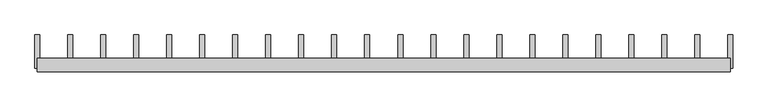
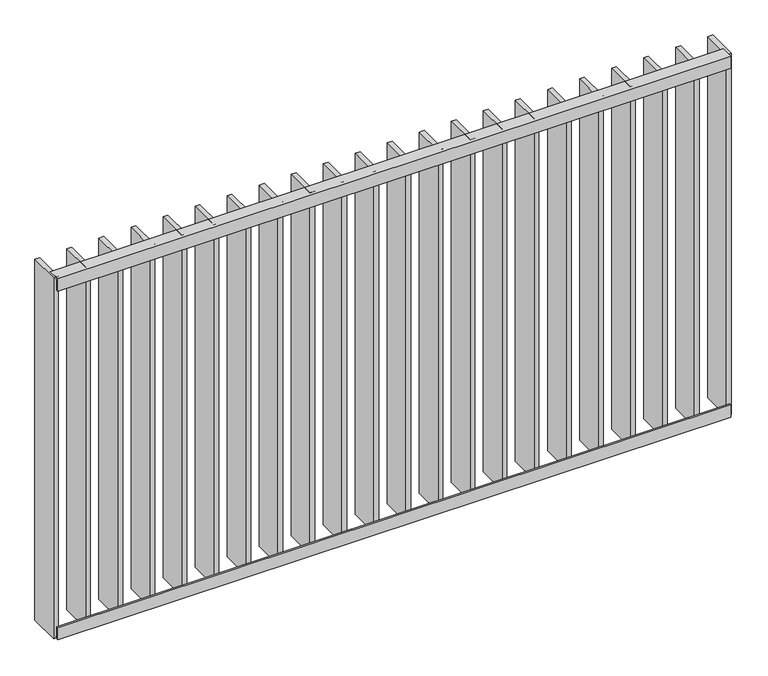
"""IFC4 building model written with IfcOpenShell, lengths in millimetres: railing geometry."""

from ifc_helpers import new_model, si_unit, frame, origin, place, context, project, spatial, polyline, outline, extrude, source, transform, mapped, element, save


def railing_ff672d15(model_context):
    return source(origin(), model_context, "Body", "SweptSolid", [
        extrude(outline(polyline([(24956.9194272, 7994.0), (24956.9194272, 7960.0), (24950.9194272, 7960.0), (24950.9194272, 8000.0), (24990.9194272, 8000.0), (24990.9194272, 7994.0), (24956.9194272, 7994.0)])), frame((4609.5112278, 0.0, 0.0), z_axis=(1.0, 0.0, 0.0), x_axis=(0.0, 1.0, 0.0)), (0.0, 0.0, 1.0), 2080.0),
        extrude(outline(polyline([(24956.9194272, 6826.0), (24990.9194272, 6826.0), (24990.9194272, 6820.0), (24950.9194272, 6820.0), (24950.9194272, 6860.0), (24956.9194272, 6860.0), (24956.9194272, 6826.0)])), frame((4609.5112278, 0.0, 0.0), z_axis=(1.0, 0.0, 0.0), x_axis=(0.0, 1.0, 0.0)), (0.0, 0.0, 1.0), 2080.0),
        extrude(outline(polyline([(6582.9636088, 24960.9194272), (6582.9636088, 25060.9194272), (6597.9636088, 25060.9194272), (6597.9636088, 24960.9194272), (6582.9636088, 24960.9194272)])), frame((0.0, 0.0, 6819.9), z_axis=(0.0, 0.0, 1.0), x_axis=(1.0, 0.0, 0.0)), (0.0, 0.0, 1.0), 1180.2),
        extrude(outline(polyline([(6483.9159897, 24960.9194272), (6483.9159897, 25060.9194272), (6498.9159897, 25060.9194272), (6498.9159897, 24960.9194272), (6483.9159897, 24960.9194272)])), frame((0.0, 0.0, 6819.9), z_axis=(0.0, 0.0, 1.0), x_axis=(1.0, 0.0, 0.0)), (0.0, 0.0, 1.0), 1180.2),
        extrude(outline(polyline([(6384.8683707, 24960.9194272), (6384.8683707, 25060.9194272), (6399.8683707, 25060.9194272), (6399.8683707, 24960.9194272), (6384.8683707, 24960.9194272)])), frame((0.0, 0.0, 6819.9), z_axis=(0.0, 0.0, 1.0), x_axis=(1.0, 0.0, 0.0)), (0.0, 0.0, 1.0), 1180.2),
        extrude(outline(polyline([(6285.8207516, 24960.9194272), (6285.8207516, 25060.9194272), (6300.8207516, 25060.9194272), (6300.8207516, 24960.9194272), (6285.8207516, 24960.9194272)])), frame((0.0, 0.0, 6819.9), z_axis=(0.0, 0.0, 1.0), x_axis=(1.0, 0.0, 0.0)), (0.0, 0.0, 1.0), 1180.2),
        extrude(outline(polyline([(6186.7731326, 24960.9194272), (6186.7731326, 25060.9194272), (6201.7731326, 25060.9194272), (6201.7731326, 24960.9194272), (6186.7731326, 24960.9194272)])), frame((0.0, 0.0, 6819.9), z_axis=(0.0, 0.0, 1.0), x_axis=(1.0, 0.0, 0.0)), (0.0, 0.0, 1.0), 1180.2),
        extrude(outline(polyline([(6087.7255135, 24960.9194272), (6087.7255135, 25060.9194272), (6102.7255135, 25060.9194272), (6102.7255135, 24960.9194272), (6087.7255135, 24960.9194272)])), frame((0.0, 0.0, 6819.9), z_axis=(0.0, 0.0, 1.0), x_axis=(1.0, 0.0, 0.0)), (0.0, 0.0, 1.0), 1180.2),
        extrude(outline(polyline([(5988.6778945, 24960.9194272), (5988.6778945, 25060.9194272), (6003.6778945, 25060.9194272), (6003.6778945, 24960.9194272), (5988.6778945, 24960.9194272)])), frame((0.0, 0.0, 6819.9), z_axis=(0.0, 0.0, 1.0), x_axis=(1.0, 0.0, 0.0)), (0.0, 0.0, 1.0), 1180.2),
        extrude(outline(polyline([(5889.6302754, 24960.9194272), (5889.6302754, 25060.9194272), (5904.6302754, 25060.9194272), (5904.6302754, 24960.9194272), (5889.6302754, 24960.9194272)])), frame((0.0, 0.0, 6819.9), z_axis=(0.0, 0.0, 1.0), x_axis=(1.0, 0.0, 0.0)), (0.0, 0.0, 1.0), 1180.2),
        extrude(outline(polyline([(5790.5826564, 24960.9194272), (5790.5826564, 25060.9194272), (5805.5826564, 25060.9194272), (5805.5826564, 24960.9194272), (5790.5826564, 24960.9194272)])), frame((0.0, 0.0, 6819.9), z_axis=(0.0, 0.0, 1.0), x_axis=(1.0, 0.0, 0.0)), (0.0, 0.0, 1.0), 1180.2),
        extrude(outline(polyline([(5691.5350373, 24960.9194272), (5691.5350373, 25060.9194272), (5706.5350373, 25060.9194272), (5706.5350373, 24960.9194272), (5691.5350373, 24960.9194272)])), frame((0.0, 0.0, 6819.9), z_axis=(0.0, 0.0, 1.0), x_axis=(1.0, 0.0, 0.0)), (0.0, 0.0, 1.0), 1180.2),
        extrude(outline(polyline([(5592.4874183, 24960.9194272), (5592.4874183, 25060.9194272), (5607.4874183, 25060.9194272), (5607.4874183, 24960.9194272), (5592.4874183, 24960.9194272)])), frame((0.0, 0.0, 6819.9), z_axis=(0.0, 0.0, 1.0), x_axis=(1.0, 0.0, 0.0)), (0.0, 0.0, 1.0), 1180.2),
        extrude(outline(polyline([(5493.4397992, 24960.9194272), (5493.4397992, 25060.9194272), (5508.4397992, 25060.9194272), (5508.4397992, 24960.9194272), (5493.4397992, 24960.9194272)])), frame((0.0, 0.0, 6819.9), z_axis=(0.0, 0.0, 1.0), x_axis=(1.0, 0.0, 0.0)), (0.0, 0.0, 1.0), 1180.2),
        extrude(outline(polyline([(5394.3921802, 24960.9194272), (5394.3921802, 25060.9194272), (5409.3921802, 25060.9194272), (5409.3921802, 24960.9194272), (5394.3921802, 24960.9194272)])), frame((0.0, 0.0, 6819.9), z_axis=(0.0, 0.0, 1.0), x_axis=(1.0, 0.0, 0.0)), (0.0, 0.0, 1.0), 1180.2),
        extrude(outline(polyline([(5295.3445611, 24960.9194272), (5295.3445611, 25060.9194272), (5310.3445611, 25060.9194272), (5310.3445611, 24960.9194272), (5295.3445611, 24960.9194272)])), frame((0.0, 0.0, 6819.9), z_axis=(0.0, 0.0, 1.0), x_axis=(1.0, 0.0, 0.0)), (0.0, 0.0, 1.0), 1180.2),
        extrude(outline(polyline([(5196.2969421, 24960.9194272), (5196.2969421, 25060.9194272), (5211.2969421, 25060.9194272), (5211.2969421, 24960.9194272), (5196.2969421, 24960.9194272)])), frame((0.0, 0.0, 6819.9), z_axis=(0.0, 0.0, 1.0), x_axis=(1.0, 0.0, 0.0)), (0.0, 0.0, 1.0), 1180.2),
        extrude(outline(polyline([(5097.249323, 24960.9194272), (5097.249323, 25060.9194272), (5112.249323, 25060.9194272), (5112.249323, 24960.9194272), (5097.249323, 24960.9194272)])), frame((0.0, 0.0, 6819.9), z_axis=(0.0, 0.0, 1.0), x_axis=(1.0, 0.0, 0.0)), (0.0, 0.0, 1.0), 1180.2),
        extrude(outline(polyline([(4998.201704, 24960.9194272), (4998.201704, 25060.9194272), (5013.201704, 25060.9194272), (5013.201704, 24960.9194272), (4998.201704, 24960.9194272)])), frame((0.0, 0.0, 6819.9), z_axis=(0.0, 0.0, 1.0), x_axis=(1.0, 0.0, 0.0)), (0.0, 0.0, 1.0), 1180.2),
        extrude(outline(polyline([(4899.1540849, 24960.9194272), (4899.1540849, 25060.9194272), (4914.1540849, 25060.9194272), (4914.1540849, 24960.9194272), (4899.1540849, 24960.9194272)])), frame((0.0, 0.0, 6819.9), z_axis=(0.0, 0.0, 1.0), x_axis=(1.0, 0.0, 0.0)), (0.0, 0.0, 1.0), 1180.2),
        extrude(outline(polyline([(4800.1064659, 24960.9194272), (4800.1064659, 25060.9194272), (4815.1064659, 25060.9194272), (4815.1064659, 24960.9194272), (4800.1064659, 24960.9194272)])), frame((0.0, 0.0, 6819.9), z_axis=(0.0, 0.0, 1.0), x_axis=(1.0, 0.0, 0.0)), (0.0, 0.0, 1.0), 1180.2),
        extrude(outline(polyline([(4701.0588468, 24960.9194272), (4701.0588468, 25060.9194272), (4716.0588468, 25060.9194272), (4716.0588468, 24960.9194272), (4701.0588468, 24960.9194272)])), frame((0.0, 0.0, 6819.9), z_axis=(0.0, 0.0, 1.0), x_axis=(1.0, 0.0, 0.0)), (0.0, 0.0, 1.0), 1180.2),
        extrude(outline(polyline([(6682.0112278, 24960.9194272), (6682.0112278, 25060.9194272), (6697.0112278, 25060.9194272), (6697.0112278, 24960.9194272), (6682.0112278, 24960.9194272)])), frame((0.0, 0.0, 6819.9), z_axis=(0.0, 0.0, 1.0), x_axis=(1.0, 0.0, 0.0)), (0.0, 0.0, 1.0), 1180.2),
        extrude(outline(polyline([(4602.0112278, 24960.9194272), (4602.0112278, 25060.9194272), (4617.0112278, 25060.9194272), (4617.0112278, 24960.9194272), (4602.0112278, 24960.9194272)])), frame((0.0, 0.0, 6819.9), z_axis=(0.0, 0.0, 1.0), x_axis=(1.0, 0.0, 0.0)), (0.0, 0.0, 1.0), 1180.2),
    ])


if __name__ == "__main__":
    model = new_model("IFC4")
    model_context = context("Model", 3, world=origin())
    ifc_project = project(units=[si_unit("LENGTHUNIT", "METRE", prefix="MILLI")], contexts=[model_context])
    site = spatial("IfcSite", under=ifc_project)
    building = spatial("IfcBuilding", under=site)
    placement = place(None, origin())
    railing_shape = railing_ff672d15(model_context)
    element("IfcRailing", 1, at=placement, inside=building, context=model_context, shape_type="MappedRepresentation", body=[
        mapped(railing_shape, transform((0.0, 0.0, 0.0), x_axis=(1.0, 0.0, 0.0), y_axis=(0.0, 1.0, 0.0), z_axis=(0.0, 0.0, 1.0))),
    ])
    save(model, "model.ifc")
